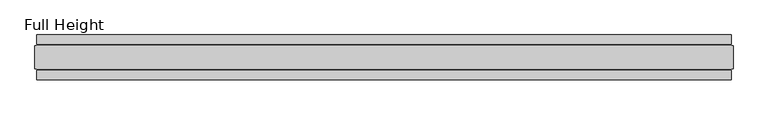
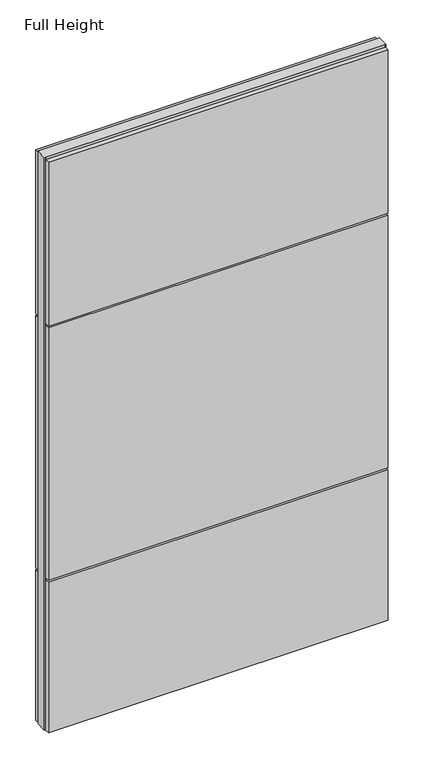
"""IFC4 building model written with IfcOpenShell, lengths in millimetres: plate geometry, Full Height."""

from ifc_helpers import new_model, si_unit, frame, origin, origin_with_axes, place, context, project, spatial, polyline, outline, extrude, source, transform, mapped, element, save


def full_height_ea11353d(model_context):
    return source(origin(), model_context, "Body", "SweptSolid", [
        extrude(outline(polyline([(770.128, 28.956), (-770.128, 28.956), (-770.128, 49.53), (770.128, 49.53), (770.128, 28.956)])), frame((0.0, 0.0, 1949.196), z_axis=(0.0, 0.0, 1.0), x_axis=(1.0, 0.0, 0.0)), (0.0, 0.0, 1.0), 784.86),
        extrude(outline(polyline([(770.128, 28.956), (-770.128, 28.956), (-770.128, 49.53), (770.128, 49.53), (770.128, 28.956)])), frame((0.0, 0.0, 729.996), z_axis=(0.0, 0.0, 1.0), x_axis=(1.0, 0.0, 0.0)), (0.0, 0.0, 1.0), 1210.056),
        extrude(outline(polyline([(770.128, 28.956), (-770.128, 28.956), (-770.128, 49.53), (770.128, 49.53), (770.128, 28.956)])), origin_with_axes(), (0.0, 0.0, 1.0), 720.852),
        extrude(outline(polyline([(770.128, -28.956), (770.128, -49.53), (-770.128, -49.53), (-770.128, -28.956), (770.128, -28.956)])), frame((0.0, 0.0, 1949.196), z_axis=(0.0, 0.0, 1.0), x_axis=(1.0, 0.0, 0.0)), (0.0, 0.0, 1.0), 784.86),
        extrude(outline(polyline([(770.128, -28.956), (770.128, -49.53), (-770.128, -49.53), (-770.128, -28.956), (770.128, -28.956)])), frame((0.0, 0.0, 729.996), z_axis=(0.0, 0.0, 1.0), x_axis=(1.0, 0.0, 0.0)), (0.0, 0.0, 1.0), 1210.056),
        extrude(outline(polyline([(770.128, -28.956), (770.128, -49.53), (-770.128, -49.53), (-770.128, -28.956), (770.128, -28.956)])), origin_with_axes(), (0.0, 0.0, 1.0), 720.852),
        extrude(outline(polyline([(770.128, -25.146), (770.128, -26.67), (-770.128, -26.67), (-770.128, -25.146), (-774.7, -25.146), (-774.7, 25.146), (-770.128, 25.146), (-770.128, 26.67), (770.128, 26.67), (770.128, 25.146), (774.7, 25.146), (774.7, -25.146), (770.128, -25.146)])), origin_with_axes(), (0.0, 0.0, 1.0), 2743.2),
    ])


if __name__ == "__main__":
    model = new_model("IFC4")
    model_context = context("Model", 3, world=origin())
    ifc_project = project(units=[si_unit("LENGTHUNIT", "METRE", prefix="MILLI")], contexts=[model_context])
    site = spatial("IfcSite", under=ifc_project)
    building = spatial("IfcBuilding", under=site)
    placement = place(None, origin())
    full_height_shape = full_height_ea11353d(model_context)
    element("IfcPlate", 1, ObjectType="Full Height", at=placement, inside=building, context=model_context, shape_type="MappedRepresentation", body=[
        mapped(full_height_shape, transform((0.0, 0.0, 0.0), x_axis=(1.0, 0.0, 0.0), y_axis=(0.0, 1.0, 0.0), z_axis=(0.0, 0.0, 1.0))),
    ])
    save(model, "model.ifc")
